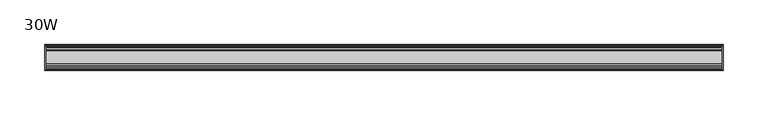
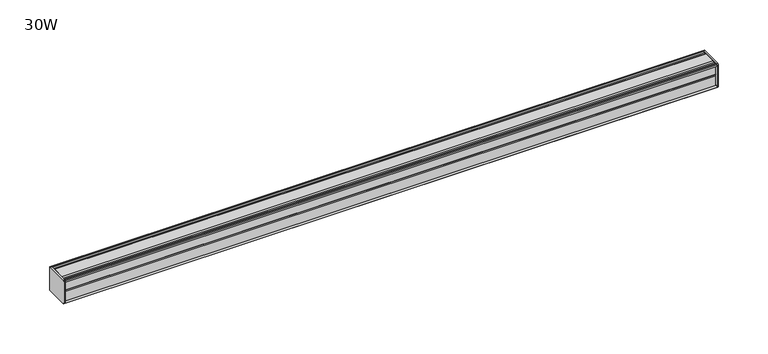
"""IFC4 building model written with IfcOpenShell, lengths in millimetres: furniture geometry, 30W."""

from ifc_helpers import new_model, si_unit, frame, origin, place, context, project, spatial, circle_curve, source, transform, mapped, element, save
from ifc_brep_helpers import plane_surface, cylinder_surface, advanced_brep


def furniture_30w_b63b4769(model_context):
    return source(origin(), model_context, "Body", "AdvancedBrep", [
        advanced_brep(
        [(379.4125, 14.5851562, 1373.9436262), (379.4125, 14.5851562, 1347.7932877), (379.4125, 14.4138595, 1346.9873997), (379.4125, 13.8374434, 1346.4109837), (379.4125, 12.9019306, 1346.1603131), (379.4125, -13.4067434, 1346.1603131), (379.4125, -14.3040014, 1347.0575711), (379.4125, -14.5851563, 1347.8259798), (379.4125, -14.5851563, 1373.7443327), (379.4125, -14.3040014, 1374.5127414), (379.4125, -13.4464303, 1375.3703125), (379.4125, 13.0500437, 1375.3703125), (379.4125, 13.8374434, 1375.1593288), (379.4125, 14.4138595, 1374.5829128), (381.0, 14.6248431, 1373.7955131), (381.0, 14.4138595, 1374.5829128), (381.0, 13.8374434, 1375.1593288), (381.0, 13.0500437, 1375.3703125), (381.0, -13.4464303, 1375.3703125), (381.0, -14.3040014, 1374.5127414), (381.0, -14.5851563, 1373.7443327), (381.0, -14.5851563, 1347.8259798), (381.0, -14.3040014, 1347.0575711), (381.0, -13.4067434, 1346.1603131), (381.0, 12.9019306, 1346.1603131), (381.0, 13.8374434, 1346.4109837), (381.0, 14.4138595, 1346.9873997), (381.0, 14.5851562, 1347.7932877)],
        [
            (0, 1),
            (1, 2),
            (2, 3),
            (3, 4),
            (4, 5),
            (5, 6),
            (6, 7, circle_curve(frame((379.4125, -13.3945313, 1347.8259798), z_axis=(-1.0, 0.0, 0.0), x_axis=(0.0, 1.0, 0.0)), 1.190625)),
            (7, 8),
            (8, 9, circle_curve(frame((379.4125, -13.3945313, 1373.7443327), z_axis=(-1.0, 0.0, 0.0), x_axis=(0.0, 1.0, 0.0)), 1.190625)),
            (9, 10),
            (10, 11),
            (11, 12),
            (12, 13),
            (13, 0),
            (14, 15),
            (15, 16),
            (16, 17),
            (17, 18),
            (18, 19),
            (19, 20, circle_curve(frame((381.0, -13.3945313, 1373.7443327), z_axis=(1.0, 0.0, 0.0), x_axis=(0.0, 1.0, 0.0)), 1.190625)),
            (20, 21),
            (21, 22, circle_curve(frame((381.0, -13.3945313, 1347.8259798), z_axis=(1.0, 0.0, 0.0), x_axis=(0.0, 1.0, 0.0)), 1.190625)),
            (22, 23),
            (23, 24),
            (24, 25),
            (25, 26),
            (26, 27),
            (27, 14),
            (13, 15),
            (14, 0),
            (12, 16),
            (11, 17),
            (10, 18),
            (9, 19),
            (8, 20),
            (7, 21),
            (6, 22),
            (5, 23),
            (4, 24),
            (3, 25),
            (2, 26),
            (1, 27),
        ],
        [
            plane_surface(frame((379.4125, 14.5851562, 1347.7932877), z_axis=(-1.0, 0.0, 0.0), x_axis=(0.0, 0.0, -1.0))),
            plane_surface(frame((381.0, 14.5851562, 1347.7932877), z_axis=(1.0, 0.0, 0.0), x_axis=(0.0, 0.0, 1.0))),
            plane_surface(frame((379.4125, 14.4138595, 1374.5829128), z_axis=(0.0, 0.9659256560349858, 0.25881968049857096), x_axis=(1.0, 0.0, 0.0))),
            plane_surface(frame((379.4125, 13.8374434, 1375.1593288), z_axis=(0.0, 0.7071067811866345, 0.7071067811864606), x_axis=(1.0, 0.0, 0.0))),
            plane_surface(frame((379.4125, 13.0500437, 1375.3703125), z_axis=(0.0, 0.25881968048234233, 0.9659256560393343), x_axis=(1.0, 0.0, 0.0))),
            plane_surface(frame((379.4125, -13.4464303, 1375.3703125), z_axis=(0.0, 0.0, 1.0), x_axis=(1.0, 0.0, 0.0))),
            plane_surface(frame((379.4125, -14.3040014, 1374.5127414), z_axis=(0.0, -0.7071067811807561, 0.707106781192339), x_axis=(1.0, 0.0, 0.0))),
            cylinder_surface(frame((381.0, -13.3945313, 1373.7443327), z_axis=(-1.0, 0.0, 0.0), x_axis=(0.0, 1.0, 0.0)), 1.190625),
            plane_surface(frame((379.4125, -14.5851563, 1347.8259798), z_axis=(0.0, -1.0, 0.0), x_axis=(1.0, 0.0, 0.0))),
            cylinder_surface(frame((381.0, -13.3945313, 1347.8259798), z_axis=(-1.0, 0.0, 0.0), x_axis=(0.0, 1.0, 0.0)), 1.190625),
            plane_surface(frame((379.4125, -13.4067434, 1346.1603131), z_axis=(0.0, -0.7071067811894153, -0.7071067811836799), x_axis=(1.0, 0.0, 0.0))),
            plane_surface(frame((379.4125, 12.9019306, 1346.1603131), z_axis=(0.0, 0.0, -1.0), x_axis=(1.0, 0.0, 0.0))),
            plane_surface(frame((379.4125, 13.8374434, 1346.4109837), z_axis=(0.0, 0.25881968049856396, -0.9659256560349876), x_axis=(1.0, 0.0, 0.0))),
            plane_surface(frame((379.4125, 14.4138595, 1346.9873997), z_axis=(0.0, 0.7071067811865204, -0.7071067811865748), x_axis=(1.0, 0.0, 0.0))),
            plane_surface(frame((379.4125, 14.5851562, 1347.7932877), z_axis=(0.0, 0.9781476007322519, -0.2079116908250694), x_axis=(1.0, 0.0, 0.0))),
            plane_surface(frame((379.4125, 14.5851562, 1373.9436262), z_axis=(0.0, 1.0, 0.0), x_axis=(1.0, 0.0, 0.0))),
        ],
        [
            (0, [[1, 2, 3, 4, 5, 6, 7, 8, 9, 10, 11, 12, 13, 14]]),
            (1, [[15, 16, 17, 18, 19, 20, 21, 22, 23, 24, 25, 26, 27, 28]]),
            (2, [[-14, 29, -15, 30]]),
            (3, [[-13, 31, -16, -29]]),
            (4, [[-12, 32, -17, -31]]),
            (5, [[-11, 33, -18, -32]]),
            (6, [[-10, 34, -19, -33]]),
            (7, [[-9, 35, -20, -34]]),
            (8, [[-8, 36, -21, -35]]),
            (9, [[-7, 37, -22, -36]]),
            (10, [[-6, 38, -23, -37]]),
            (11, [[-5, 39, -24, -38]]),
            (12, [[-4, 40, -25, -39]]),
            (13, [[-3, 41, -26, -40]]),
            (14, [[-2, 42, -27, -41]]),
            (15, [[-1, -30, -28, -42]]),
        ],
    ),
        advanced_brep(
        [(-379.4125, 14.6248431, 1373.7955131), (-379.4125, 14.4138595, 1374.5829128), (-379.4125, 13.8374434, 1375.1593288), (-379.4125, 13.0500437, 1375.3703125), (-379.4125, -13.4464303, 1375.3703125), (-379.4125, -14.3040014, 1374.5127414), (-379.4125, -14.5851563, 1373.7443327), (-379.4125, -14.5851563, 1347.8259798), (-379.4125, -14.3040014, 1347.0575711), (-379.4125, -13.4067434, 1346.1603131), (-379.4125, 12.9019306, 1346.1603131), (-379.4125, 13.8374434, 1346.4109837), (-379.4125, 14.4138595, 1346.9873997), (-379.4125, 14.5851562, 1347.7932877), (-381.0, 14.5851562, 1373.9436262), (-381.0, 14.5851562, 1347.7932877), (-381.0, 14.4138595, 1346.9873997), (-381.0, 13.8374434, 1346.4109837), (-381.0, 12.9019306, 1346.1603131), (-381.0, -13.4067434, 1346.1603131), (-381.0, -14.3040014, 1347.0575711), (-381.0, -14.5851563, 1347.8259798), (-381.0, -14.5851563, 1373.7443327), (-381.0, -14.3040014, 1374.5127414), (-381.0, -13.4464303, 1375.3703125), (-381.0, 13.0500437, 1375.3703125), (-381.0, 13.8374434, 1375.1593288), (-381.0, 14.4138595, 1374.5829128)],
        [
            (0, 1),
            (1, 2),
            (2, 3),
            (3, 4),
            (4, 5),
            (5, 6, circle_curve(frame((-379.4125, -13.3945313, 1373.7443327), z_axis=(1.0, 0.0, 0.0), x_axis=(0.0, 1.0, 0.0)), 1.190625)),
            (6, 7),
            (7, 8, circle_curve(frame((-379.4125, -13.3945313, 1347.8259798), z_axis=(1.0, 0.0, 0.0), x_axis=(0.0, 1.0, 0.0)), 1.190625)),
            (8, 9),
            (9, 10),
            (10, 11),
            (11, 12),
            (12, 13),
            (13, 0),
            (14, 15),
            (15, 16),
            (16, 17),
            (17, 18),
            (18, 19),
            (19, 20),
            (20, 21, circle_curve(frame((-381.0, -13.3945313, 1347.8259798), z_axis=(-1.0, 0.0, 0.0), x_axis=(0.0, 1.0, 0.0)), 1.190625)),
            (21, 22),
            (22, 23, circle_curve(frame((-381.0, -13.3945313, 1373.7443327), z_axis=(-1.0, 0.0, 0.0), x_axis=(0.0, 1.0, 0.0)), 1.190625)),
            (23, 24),
            (24, 25),
            (25, 26),
            (26, 27),
            (27, 14),
            (0, 14),
            (27, 1),
            (26, 2),
            (25, 3),
            (24, 4),
            (23, 5),
            (22, 6),
            (21, 7),
            (20, 8),
            (19, 9),
            (18, 10),
            (17, 11),
            (16, 12),
            (15, 13),
        ],
        [
            plane_surface(frame((-379.4125, 14.6248431, 1373.7955131), z_axis=(1.0, 0.0, 0.0), x_axis=(0.0, -0.2588196804654467, 0.9659256560438614))),
            plane_surface(frame((-381.0, 14.6248431, 1373.7955131), z_axis=(-1.0, 0.0, 0.0), x_axis=(0.0, 0.2588196804654467, -0.9659256560438614))),
            plane_surface(frame((-379.4125, 14.6248431, 1373.7955131), z_axis=(0.0, 0.9659256560438614, 0.2588196804654467), x_axis=(-1.0, 0.0, 0.0))),
            plane_surface(frame((-379.4125, 14.4138595, 1374.5829128), z_axis=(0.0, 0.7071067811204292, 0.7071067812526658), x_axis=(-1.0, 0.0, 0.0))),
            plane_surface(frame((-379.4125, 13.8374434, 1375.1593288), z_axis=(0.0, 0.25881968048975534, 0.9659256560373479), x_axis=(-1.0, 0.0, 0.0))),
            plane_surface(frame((-379.4125, 13.0500437, 1375.3703125), z_axis=(0.0, 0.0, 1.0), x_axis=(-1.0, 0.0, 0.0))),
            plane_surface(frame((-379.4125, -13.4464303, 1375.3703125), z_axis=(0.0, -0.7071067811870986, 0.7071067811859965), x_axis=(-1.0, 0.0, 0.0))),
            cylinder_surface(frame((-381.0, -13.3945313, 1373.7443327), z_axis=(1.0, 0.0, 0.0), x_axis=(0.0, 1.0, 0.0)), 1.190625),
            plane_surface(frame((-379.4125, -14.5851563, 1373.7443327), z_axis=(0.0, -1.0, 0.0), x_axis=(-1.0, 0.0, 0.0))),
            cylinder_surface(frame((-381.0, -13.3945313, 1347.8259798), z_axis=(1.0, 0.0, 0.0), x_axis=(0.0, 1.0, 0.0)), 1.190625),
            plane_surface(frame((-379.4125, -14.3040014, 1347.0575711), z_axis=(0.0, -0.7071067811865341, -0.7071067811865609), x_axis=(-1.0, 0.0, 0.0))),
            plane_surface(frame((-379.4125, -13.4067434, 1346.1603131), z_axis=(0.0, 0.0, -1.0), x_axis=(-1.0, 0.0, 0.0))),
            plane_surface(frame((-379.4125, 12.9019306, 1346.1603131), z_axis=(0.0, 0.25881968049856563, -0.9659256560349873), x_axis=(-1.0, 0.0, 0.0))),
            plane_surface(frame((-379.4125, 13.8374434, 1346.4109837), z_axis=(0.0, 0.707106781186519, -0.7071067811865761), x_axis=(-1.0, 0.0, 0.0))),
            plane_surface(frame((-379.4125, 14.4138595, 1346.9873997), z_axis=(0.0, 0.9781476007324962, -0.20791169082391994), x_axis=(-1.0, 0.0, 0.0))),
            plane_surface(frame((-379.4125, 14.5851562, 1347.7932877), z_axis=(0.0, 1.0, 0.0), x_axis=(-1.0, 0.0, 0.0))),
        ],
        [
            (0, [[1, 2, 3, 4, 5, 6, 7, 8, 9, 10, 11, 12, 13, 14]]),
            (1, [[15, 16, 17, 18, 19, 20, 21, 22, 23, 24, 25, 26, 27, 28]]),
            (2, [[-1, 29, -28, 30]]),
            (3, [[-2, -30, -27, 31]]),
            (4, [[-3, -31, -26, 32]]),
            (5, [[-4, -32, -25, 33]]),
            (6, [[-5, -33, -24, 34]]),
            (7, [[-6, -34, -23, 35]]),
            (8, [[-7, -35, -22, 36]]),
            (9, [[-8, -36, -21, 37]]),
            (10, [[-9, -37, -20, 38]]),
            (11, [[-10, -38, -19, 39]]),
            (12, [[-11, -39, -18, 40]]),
            (13, [[-12, -40, -17, 41]]),
            (14, [[-13, -41, -16, 42]]),
            (15, [[-14, -42, -15, -29]]),
        ],
    ),
        advanced_brep(
        [(379.4125, -7.3748315, 1375.3703125), (379.4125, -8.9105708, 1374.3395796), (379.4125, -10.7601399, 1374.3395796), (379.4125, -12.2958792, 1375.3703125), (379.4125, -13.4464303, 1375.3703125), (379.4125, -14.3040014, 1374.5127414), (379.4125, -13.3945313, 1372.5537077), (379.4125, -13.3945313, 1373.465312), (379.4125, -12.2039063, 1373.465312), (379.4125, -12.2039063, 1361.5590632), (379.4125, -11.4101564, 1360.7653134), (379.4125, -12.2039063, 1359.9715636), (379.4125, -12.2039063, 1348.0653131), (379.4125, -13.3945313, 1348.0653131), (379.4125, -13.3945313, 1349.0166048), (379.4125, -14.3040014, 1347.0575711), (379.4125, -13.4067434, 1346.1603131), (379.4125, -12.2958792, 1346.1603131), (379.4125, -10.7601399, 1347.1910471), (379.4125, -8.9105708, 1347.1910471), (379.4125, -7.4339628, 1346.2), (379.4125, 7.4145184, 1346.2), (379.4125, 8.9502576, 1347.2307329), (379.4125, 10.7998291, 1347.2307329), (379.4125, 12.2275037, 1346.2), (379.4125, 13.0500437, 1346.2), (379.4125, 13.8374434, 1346.4109837), (379.4125, 14.4138595, 1346.9873997), (379.4125, 14.5851562, 1347.7932877), (379.4125, 14.5851562, 1373.9436262), (379.4125, 14.4138595, 1374.5829128), (379.4125, 13.8374434, 1375.1593288), (379.4125, 13.0500437, 1375.3703125), (379.4125, 12.2275037, 1375.3703125), (379.4125, 10.7998291, 1374.3395796), (379.4125, 8.9502576, 1374.3395796), (379.4125, 7.4145184, 1375.3703125), (-379.4125, -7.3748315, 1375.3703125), (-379.4125, 7.4145184, 1375.3703125), (-379.4125, 8.9502576, 1374.3395796), (-379.4125, 10.7998291, 1374.3395796), (-379.4125, 12.2275037, 1375.3703125), (-379.4125, 13.0500437, 1375.3703125), (-379.4125, 13.8374434, 1375.1593288), (-379.4125, 14.4138595, 1374.5829128), (-379.4125, 14.6248431, 1373.7955131), (-379.4125, 14.5851562, 1347.7932877), (-379.4125, 14.4138595, 1346.9873997), (-379.4125, 13.8374434, 1346.4109837), (-379.4125, 13.0500437, 1346.2), (-379.4125, 12.2275037, 1346.2), (-379.4125, 10.7998291, 1347.2307329), (-379.4125, 8.9502576, 1347.2307329), (-379.4125, 7.4145184, 1346.2), (-379.4125, -7.4339628, 1346.2), (-379.4125, -8.9105708, 1347.1910471), (-379.4125, -10.7601399, 1347.1910471), (-379.4125, -12.2958792, 1346.1603131), (-379.4125, -13.4067434, 1346.1603131), (-379.4125, -14.3040014, 1347.0575711), (-379.4125, -13.3945313, 1349.0166048), (-379.4125, -13.3945313, 1348.0653131), (-379.4125, -12.2039063, 1348.0653131), (-379.4125, -12.2039063, 1359.9715636), (-379.4125, -11.4101564, 1360.7653134), (-379.4125, -12.2039063, 1361.5590632), (-379.4125, -12.2039063, 1373.465312), (-379.4125, -13.3945313, 1373.465312), (-379.4125, -13.3945313, 1372.5537077), (-379.4125, -14.3040014, 1374.5127414), (-379.4125, -13.4464303, 1375.3703125), (-379.4125, -12.2958792, 1375.3703125), (-379.4125, -10.7601399, 1374.3395796), (-379.4125, -8.9105708, 1374.3395796)],
        [
            (0, 1),
            (1, 2),
            (2, 3),
            (3, 4),
            (4, 5),
            (5, 6, circle_curve(frame((379.4125, -13.3945313, 1373.7443327), z_axis=(1.0, 0.0, 0.0), x_axis=(0.0, 1.0, 0.0)), 1.190625)),
            (6, 7),
            (7, 8),
            (8, 9),
            (9, 10),
            (10, 11),
            (11, 12),
            (12, 13),
            (13, 14),
            (14, 15, circle_curve(frame((379.4125, -13.3945313, 1347.8259798), z_axis=(1.0, 0.0, 0.0), x_axis=(0.0, 1.0, 0.0)), 1.190625)),
            (15, 16),
            (16, 17),
            (17, 18),
            (18, 19),
            (19, 20),
            (20, 21),
            (21, 22),
            (22, 23),
            (23, 24),
            (24, 25),
            (25, 26),
            (26, 27),
            (27, 28),
            (28, 29),
            (29, 30),
            (30, 31),
            (31, 32),
            (32, 33),
            (33, 34),
            (34, 35),
            (35, 36),
            (36, 0),
            (37, 38),
            (38, 39),
            (39, 40),
            (40, 41),
            (41, 42),
            (42, 43),
            (43, 44),
            (44, 45),
            (45, 46),
            (46, 47),
            (47, 48),
            (48, 49),
            (49, 50),
            (50, 51),
            (51, 52),
            (52, 53),
            (53, 54),
            (54, 55),
            (55, 56),
            (56, 57),
            (57, 58),
            (58, 59),
            (59, 60, circle_curve(frame((-379.4125, -13.3945313, 1347.8259798), z_axis=(-1.0, 0.0, 0.0), x_axis=(0.0, 1.0, 0.0)), 1.190625)),
            (60, 61),
            (61, 62),
            (62, 63),
            (63, 64),
            (64, 65),
            (65, 66),
            (66, 67),
            (67, 68),
            (68, 69, circle_curve(frame((-379.4125, -13.3945313, 1373.7443327), z_axis=(-1.0, 0.0, 0.0), x_axis=(0.0, 1.0, 0.0)), 1.190625)),
            (69, 70),
            (70, 71),
            (71, 72),
            (72, 73),
            (73, 37),
            (0, 37),
            (73, 1),
            (72, 2),
            (71, 3),
            (70, 4),
            (69, 5),
            (68, 6),
            (67, 7),
            (66, 8),
            (65, 9),
            (64, 10),
            (63, 11),
            (62, 12),
            (61, 13),
            (60, 14),
            (59, 15),
            (58, 16),
            (57, 17),
            (56, 18),
            (55, 19),
            (54, 20),
            (53, 21),
            (52, 22),
            (51, 23),
            (50, 24),
            (49, 25),
            (48, 26),
            (47, 27),
            (46, 28),
            (45, 29),
            (44, 30),
            (43, 31),
            (42, 32),
            (41, 33),
            (40, 34),
            (39, 35),
            (38, 36),
        ],
        [
            plane_surface(frame((379.4125, -7.3748315, 1375.3703125), z_axis=(1.0000000000000002, 0.0, 0.0), x_axis=(0.0, -0.8303227972591122, -0.5572827400447671))),
            plane_surface(frame((-379.4125, -7.3748315, 1375.3703125), z_axis=(-1.0000000000000002, 0.0, 0.0), x_axis=(0.0, 0.8303227972591122, 0.5572827400447671))),
            plane_surface(frame((379.4125, -7.3748315, 1375.3703125), z_axis=(0.0, -0.5572827400447671, 0.8303227972591122), x_axis=(-1.0, 0.0, 0.0))),
            plane_surface(frame((379.4125, -8.9105708, 1374.3395796), z_axis=(0.0, 0.0, 1.0), x_axis=(-1.0, 0.0, 0.0))),
            plane_surface(frame((379.4125, -10.7601399, 1374.3395796), z_axis=(0.0, 0.5572827400447673, 0.8303227972591121), x_axis=(-1.0, 0.0, 0.0))),
            plane_surface(frame((379.4125, -12.2958792, 1375.3703125), z_axis=(0.0, 0.0, 1.0), x_axis=(-1.0, 0.0, 0.0))),
            plane_surface(frame((379.4125, -13.4464303, 1375.3703125), z_axis=(0.0, -0.7071067811833291, 0.7071067811897659), x_axis=(-1.0, 0.0, 0.0))),
            cylinder_surface(frame((-379.4125, -13.3945313, 1373.7443327), z_axis=(1.0, 0.0, 0.0), x_axis=(0.0, 1.0, 0.0)), 1.190625),
            plane_surface(frame((379.4125, -13.3945313, 1372.5537077), z_axis=(0.0, 1.0, 0.0), x_axis=(-1.0, 0.0, 0.0))),
            plane_surface(frame((379.4125, -13.3945313, 1373.465312), z_axis=(0.0, 0.0, -1.0), x_axis=(-1.0, 0.0, 0.0))),
            plane_surface(frame((379.4125, -12.2039063, 1373.465312), z_axis=(0.0, -1.0, 0.0), x_axis=(-1.0, 0.0, 0.0))),
            plane_surface(frame((379.4125, -12.2039063, 1361.5590632), z_axis=(0.0, -0.7071067811865249, -0.7071067811865701), x_axis=(-1.0, 0.0, 0.0))),
            plane_surface(frame((379.4125, -11.4101564, 1360.7653134), z_axis=(0.0, -0.7071067811865522, 0.7071067811865428), x_axis=(-1.0, 0.0, 0.0))),
            plane_surface(frame((379.4125, -12.2039063, 1359.9715636), z_axis=(0.0, -1.0, 0.0), x_axis=(-1.0, 0.0, 0.0))),
            plane_surface(frame((379.4125, -12.2039063, 1348.0653131), z_axis=(0.0, 0.0, 1.0), x_axis=(-1.0, 0.0, 0.0))),
            plane_surface(frame((379.4125, -13.3945313, 1348.0653131), z_axis=(0.0, 1.0, 0.0), x_axis=(-1.0, 0.0, 0.0))),
            cylinder_surface(frame((-379.4125, -13.3945313, 1347.8259798), z_axis=(1.0, 0.0, 0.0), x_axis=(0.0, 1.0, 0.0)), 1.190625),
            plane_surface(frame((379.4125, -14.3040014, 1347.0575711), z_axis=(0.0, -0.7071067811865901, -0.707106781186505), x_axis=(-1.0, 0.0, 0.0))),
            plane_surface(frame((379.4125, -13.4067434, 1346.1603131), z_axis=(0.0, 0.0, -1.0), x_axis=(-1.0, 0.0, 0.0))),
            plane_surface(frame((379.4125, -12.2958792, 1346.1603131), z_axis=(0.0, 0.5572831632988446, -0.8303225131860712), x_axis=(-1.0, 0.0, 0.0))),
            plane_surface(frame((379.4125, -10.7601399, 1347.1910471), z_axis=(0.0, 0.0, -1.0), x_axis=(-1.0, 0.0, 0.0))),
            plane_surface(frame((379.4125, -8.9105708, 1347.1910471), z_axis=(0.0, -0.5572831633017836, -0.8303225131840987), x_axis=(-1.0, 0.0, 0.0))),
            plane_surface(frame((379.4125, -7.4339628, 1346.2), z_axis=(0.0, 0.0, -1.0), x_axis=(-1.0, 0.0, 0.0))),
            plane_surface(frame((379.4125, 7.4145184, 1346.2), z_axis=(0.0, 0.5572827400504189, -0.8303227972553188), x_axis=(-1.0, 0.0, 0.0))),
            plane_surface(frame((379.4125, 8.9502576, 1347.2307329), z_axis=(0.0, 0.0, -1.0), x_axis=(-1.0, 0.0, 0.0))),
            plane_surface(frame((379.4125, 10.7998291, 1347.2307329), z_axis=(0.0, -0.5853541342124147, -0.8107777362264177), x_axis=(-1.0, 0.0, 0.0))),
            plane_surface(frame((379.4125, 12.2275037, 1346.2), z_axis=(0.0, 0.0, -1.0), x_axis=(-1.0, 0.0, 0.0))),
            plane_surface(frame((379.4125, 13.0500437, 1346.2), z_axis=(0.0, 0.2588196804985639, -0.9659256560349877), x_axis=(-1.0, 0.0, 0.0))),
            plane_surface(frame((379.4125, 13.8374434, 1346.4109837), z_axis=(0.0, 0.7071067811865592, -0.7071067811865358), x_axis=(-1.0, 0.0, 0.0))),
            plane_surface(frame((379.4125, 14.4138595, 1346.9873997), z_axis=(0.0, 0.9781476007325025, -0.20791169082388997), x_axis=(-1.0, 0.0, 0.0))),
            plane_surface(frame((379.4125, 14.5851562, 1347.7932877), z_axis=(0.0, 1.0, 0.0), x_axis=(-1.0, 0.0, 0.0))),
            plane_surface(frame((379.4125, 14.6248431, 1373.7955131), z_axis=(0.0, 0.9659256560439059, 0.2588196804652809), x_axis=(-1.0, 0.0, 0.0))),
            plane_surface(frame((379.4125, 14.4138595, 1374.5829128), z_axis=(0.0, 0.7071067811199622, 0.7071067812531329), x_axis=(-1.0, 0.0, 0.0))),
            plane_surface(frame((379.4125, 13.8374434, 1375.1593288), z_axis=(0.0, 0.2588196804898881, 0.9659256560373124), x_axis=(-1.0, 0.0, 0.0))),
            plane_surface(frame((379.4125, 13.0500437, 1375.3703125), z_axis=(0.0, 0.0, 1.0), x_axis=(-1.0, 0.0, 0.0))),
            plane_surface(frame((379.4125, 12.2275037, 1375.3703125), z_axis=(0.0, -0.5853541342095849, 0.8107777362284607), x_axis=(-1.0, 0.0, 0.0))),
            plane_surface(frame((379.4125, 10.7998291, 1374.3395796), z_axis=(0.0, 0.0, 1.0), x_axis=(-1.0, 0.0, 0.0))),
            plane_surface(frame((379.4125, 8.9502576, 1374.3395796), z_axis=(0.0, 0.5572827400447673, 0.8303227972591121), x_axis=(-1.0, 0.0, 0.0))),
            plane_surface(frame((379.4125, 7.4145184, 1375.3703125), z_axis=(0.0, 0.0, 1.0), x_axis=(-1.0, 0.0, 0.0))),
        ],
        [
            (0, [[1, 2, 3, 4, 5, 6, 7, 8, 9, 10, 11, 12, 13, 14, 15, 16, 17, 18, 19, 20, 21, 22, 23, 24, 25, 26, 27, 28, 29, 30, 31, 32, 33, 34, 35, 36, 37]]),
            (1, [[38, 39, 40, 41, 42, 43, 44, 45, 46, 47, 48, 49, 50, 51, 52, 53, 54, 55, 56, 57, 58, 59, 60, 61, 62, 63, 64, 65, 66, 67, 68, 69, 70, 71, 72, 73, 74]]),
            (2, [[-1, 75, -74, 76]]),
            (3, [[-2, -76, -73, 77]]),
            (4, [[-3, -77, -72, 78]]),
            (5, [[-4, -78, -71, 79]]),
            (6, [[-5, -79, -70, 80]]),
            (7, [[-6, -80, -69, 81]]),
            (8, [[-7, -81, -68, 82]]),
            (9, [[-8, -82, -67, 83]]),
            (10, [[-9, -83, -66, 84]]),
            (11, [[-10, -84, -65, 85]]),
            (12, [[-11, -85, -64, 86]]),
            (13, [[-12, -86, -63, 87]]),
            (14, [[-13, -87, -62, 88]]),
            (15, [[-14, -88, -61, 89]]),
            (16, [[-15, -89, -60, 90]]),
            (17, [[-16, -90, -59, 91]]),
            (18, [[-17, -91, -58, 92]]),
            (19, [[-18, -92, -57, 93]]),
            (20, [[-19, -93, -56, 94]]),
            (21, [[-20, -94, -55, 95]]),
            (22, [[-21, -95, -54, 96]]),
            (23, [[-22, -96, -53, 97]]),
            (24, [[-23, -97, -52, 98]]),
            (25, [[-24, -98, -51, 99]]),
            (26, [[-25, -99, -50, 100]]),
            (27, [[-26, -100, -49, 101]]),
            (28, [[-27, -101, -48, 102]]),
            (29, [[-28, -102, -47, 103]]),
            (30, [[-29, -103, -46, 104]]),
            (31, [[-30, -104, -45, 105]]),
            (32, [[-31, -105, -44, 106]]),
            (33, [[-32, -106, -43, 107]]),
            (34, [[-33, -107, -42, 108]]),
            (35, [[-34, -108, -41, 109]]),
            (36, [[-35, -109, -40, 110]]),
            (37, [[-36, -110, -39, 111]]),
            (38, [[-37, -111, -38, -75]]),
        ],
    ),
    ])


if __name__ == "__main__":
    model = new_model("IFC4")
    model_context = context("Model", 3, world=origin())
    ifc_project = project(units=[si_unit("LENGTHUNIT", "METRE", prefix="MILLI")], contexts=[model_context])
    site = spatial("IfcSite", under=ifc_project)
    building = spatial("IfcBuilding", under=site)
    placement = place(None, origin())
    furniture_30w_shape = furniture_30w_b63b4769(model_context)
    element("IfcFurniture", 1, ObjectType="30W", at=placement, inside=building, context=model_context, shape_type="MappedRepresentation", body=[
        mapped(furniture_30w_shape, transform((0.0, 0.0, 0.0), x_axis=(1.0, 0.0, 0.0), y_axis=(0.0, 1.0, 0.0), z_axis=(0.0, 0.0, 1.0))),
    ])
    save(model, "model.ifc")
